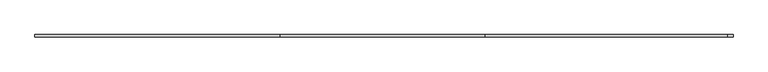
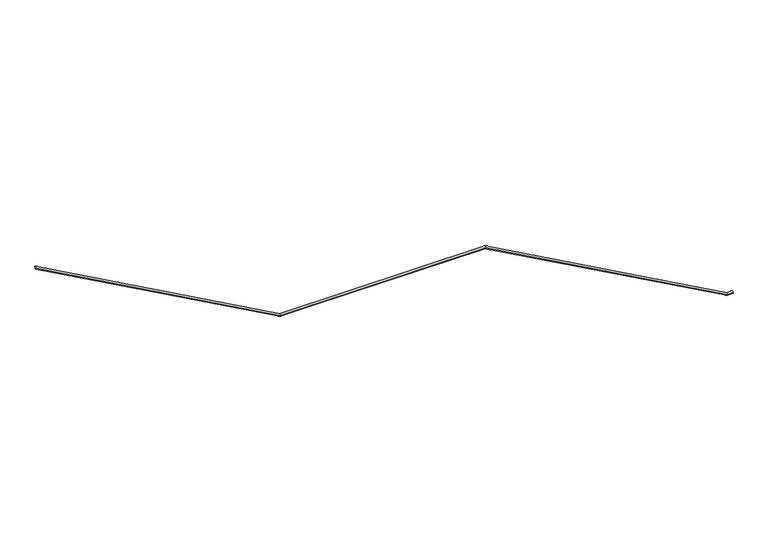
"""IFC4 building model written with IfcOpenShell, lengths in millimetres: railing geometry."""

from ifc_helpers import new_model, si_unit, frame, origin, place, context, project, spatial, circle_curve, ellipse_curve, source, transform, mapped, element, save
from ifc_brep_helpers import plane_surface, cylinder_surface, advanced_brep


def railing_50d6b587(model_context):
    return source(origin(), model_context, "Body", "AdvancedBrep", [
        advanced_brep(
        [(-81430.248859, -40539.1283664, -1799.0135963), (-81430.248859, -40579.1283664, -1799.0135963), (-77493.1553046, -40579.1283664, -3984.8035714), (-77493.1553046, -40539.1283664, -3984.8035714), (-70190.248859, -40539.1283664, -6150.0), (-70190.248859, -40579.1283664, -6150.0), (-70283.7634139, -40539.1283664, -6150.0), (-70283.7634139, -40579.1283664, -6150.0), (-74183.7634139, -40539.1283664, -3984.8035714), (-74183.7634139, -40579.1283664, -3984.8035714)],
        [
            (0, 1, ellipse_curve(frame((-81430.248859, -40559.1283664, -1799.0135963), z_axis=(-1.0, 0.0, 0.0), x_axis=(0.0, 0.0, -1.0)), 22.8755174, 20.0)),
            (1, 0, ellipse_curve(frame((-81430.248859, -40559.1283664, -1799.0135963), z_axis=(-1.0, 0.0, 0.0), x_axis=(0.0, 0.0, -1.0)), 22.8755174, 20.0)),
            (2, 3, ellipse_curve(frame((-77493.1553046, -40559.1283664, -3984.8035714), z_axis=(-0.9680643477407717, 0.0, 0.25070185207380147), x_axis=(-0.25070185207380125, 0.0, -0.9680643477407718)), 20.6597837, 20.0)),
            (3, 0),
            (1, 2),
            (3, 2, ellipse_curve(frame((-77493.1553046, -40559.1283664, -3984.8035714), z_axis=(-0.9680643477407717, 0.0, 0.25070185207380147), x_axis=(-0.25070185207380125, 0.0, -0.9680643477407718)), 20.6597837, 20.0)),
            (4, 5, circle_curve(frame((-70190.248859, -40559.1283664, -6150.0), z_axis=(1.0, 0.0, 0.0), x_axis=(0.0, -1.0, 0.0)), 20.0)),
            (5, 4, circle_curve(frame((-70190.248859, -40559.1283664, -6150.0), z_axis=(1.0, 0.0, 0.0), x_axis=(0.0, -1.0, 0.0)), 20.0)),
            (4, 6),
            (6, 7, ellipse_curve(frame((-70283.7634139, -40559.1283664, -6150.0), z_axis=(0.9680643477407718, 0.0, -0.2507018520738014), x_axis=(0.25070185207380086, 0.0, 0.9680643477407718)), 20.6597837, 20.0)),
            (7, 5),
            (7, 6, ellipse_curve(frame((-70283.7634139, -40559.1283664, -6150.0), z_axis=(0.9680643477407718, 0.0, -0.2507018520738014), x_axis=(0.25070185207380086, 0.0, 0.9680643477407718)), 20.6597837, 20.0)),
            (6, 8),
            (8, 9, ellipse_curve(frame((-74183.7634139, -40559.1283664, -3984.8035714), z_axis=(0.9680643477407718, 0.0, -0.2507018520738014), x_axis=(-0.2507018520738022, 0.0, -0.9680643477407714)), 20.6597837, 20.0)),
            (9, 7),
            (9, 8, ellipse_curve(frame((-74183.7634139, -40559.1283664, -3984.8035714), z_axis=(0.9680643477407718, 0.0, -0.2507018520738014), x_axis=(-0.2507018520738022, 0.0, -0.9680643477407714)), 20.6597837, 20.0)),
            (8, 3),
            (2, 9),
        ],
        [
            plane_surface(frame((-81430.248859, -40559.1283664, -1799.0135963), z_axis=(-1.0, 0.0, 0.0), x_axis=(0.0, -1.0, 0.0))),
            cylinder_surface(frame((-77493.1553046, -40559.1283664, -3984.8035714), z_axis=(0.8742971627335315, 0.0, -0.4853910498104561), x_axis=(0.0, -1.0, 0.0)), 20.0),
            plane_surface(frame((-70190.248859, -40559.1283664, -6150.0), z_axis=(1.0, 0.0, 0.0), x_axis=(0.0, -1.0, 0.0))),
            cylinder_surface(frame((-70190.248859, -40559.1283664, -6150.0), z_axis=(1.0, 0.0, 0.0), x_axis=(0.0, -1.0, 0.0)), 20.0),
            cylinder_surface(frame((-70283.7634139, -40559.1283664, -6150.0), z_axis=(0.8742971627335316, 0.0, -0.485391049810456), x_axis=(0.0, -1.0, 0.0)), 20.0),
            cylinder_surface(frame((-74183.7634139, -40559.1283664, -3984.8035714), z_axis=(1.0, 0.0, 0.0), x_axis=(0.0, -1.0, 0.0)), 20.0),
        ],
        [
            (0, [[1, 2]]),
            (1, [[3, 4, -2, 5]]),
            (1, [[6, -5, -1, -4]]),
            (2, [[7, 8]]),
            (3, [[-7, 9, 10, 11]]),
            (3, [[-8, -11, 12, -9]]),
            (4, [[-10, 13, 14, 15]]),
            (4, [[-12, -15, 16, -13]]),
            (5, [[-14, 17, -3, 18]]),
            (5, [[-16, -18, -6, -17]]),
        ],
    ),
    ])


if __name__ == "__main__":
    model = new_model("IFC4")
    model_context = context("Model", 3, world=origin())
    ifc_project = project(units=[si_unit("LENGTHUNIT", "METRE", prefix="MILLI")], contexts=[model_context])
    site = spatial("IfcSite", under=ifc_project)
    building = spatial("IfcBuilding", under=site)
    placement = place(None, origin())
    railing_shape = railing_50d6b587(model_context)
    element("IfcRailing", 1, at=placement, inside=building, context=model_context, shape_type="MappedRepresentation", body=[
        mapped(railing_shape, transform((0.0, 0.0, 0.0), x_axis=(1.0, 0.0, 0.0), y_axis=(0.0, 1.0, 0.0), z_axis=(0.0, 0.0, 1.0))),
    ])
    save(model, "model.ifc")
